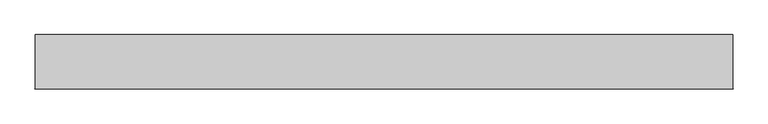
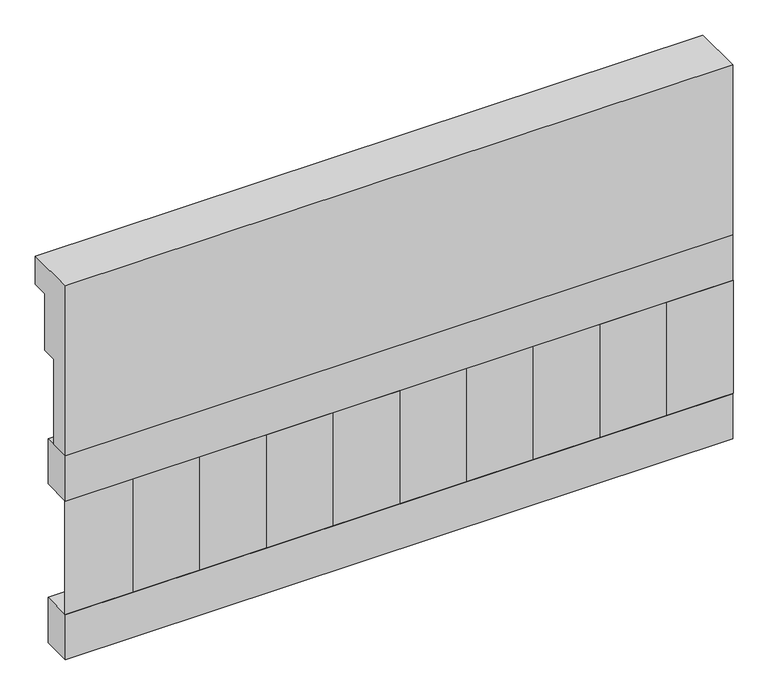
"""IFC4 building model written with IfcOpenShell, lengths in millimetres: railing geometry."""

from ifc_helpers import new_model, si_unit, frame, origin, place, context, project, spatial, polyline, outline, extrude, source, transform, mapped, element, save


def railing_db6b9fd0(model_context):
    return source(origin(), model_context, "Body", "SweptSolid", [
        extrude(outline(polyline([(903.1079487, 21800.0), (1033.1079487, 21800.0), (1033.1079487, 21725.0), (993.1079487, 21725.0), (993.1079487, 21575.0), (953.1079487, 21575.0), (953.1079487, 21350.0), (903.1079487, 21350.0), (903.1079487, 21800.0)])), frame((-5539.9887159, 0.0, 0.0), z_axis=(1.0, 0.0, 0.0), x_axis=(0.0, 1.0, 0.0)), (0.0, 0.0, 1.0), 1670.0),
        extrude(outline(polyline([(-3869.9887159, 978.1079487), (-3869.9887159, 903.1079487), (-5539.9887159, 903.1079487), (-5539.9887159, 978.1079487), (-3869.9887159, 978.1079487)])), frame((0.0, 0.0, 21230.0), z_axis=(0.0, 0.0, 1.0), x_axis=(1.0, 0.0, 0.0)), (0.0, 0.0, 1.0), 120.0),
        extrude(outline(polyline([(-3869.9887159, 978.1079487), (-3869.9887159, 903.1079487), (-5539.9887159, 903.1079487), (-5539.9887159, 978.1079487), (-3869.9887159, 978.1079487)])), frame((0.0, 0.0, 20810.0), z_axis=(0.0, 0.0, 1.0), x_axis=(1.0, 0.0, 0.0)), (0.0, 0.0, 1.0), 120.0),
        extrude(outline(polyline([(-5456.4887159, 987.9607624), (-5371.6359022, 903.1079487), (-5541.3415296, 903.1079487), (-5456.4887159, 987.9607624)])), frame((0.0, 0.0, 20930.0), z_axis=(0.0, 0.0, 1.0), x_axis=(1.0, 0.0, 0.0)), (0.0, 0.0, 1.0), 300.0),
        extrude(outline(polyline([(-5289.4887159, 987.9607624), (-5204.6359022, 903.1079487), (-5374.3415296, 903.1079487), (-5289.4887159, 987.9607624)])), frame((0.0, 0.0, 20930.0), z_axis=(0.0, 0.0, 1.0), x_axis=(1.0, 0.0, 0.0)), (0.0, 0.0, 1.0), 300.0),
        extrude(outline(polyline([(-5122.4887159, 987.9607624), (-5037.6359022, 903.1079487), (-5207.3415296, 903.1079487), (-5122.4887159, 987.9607624)])), frame((0.0, 0.0, 20930.0), z_axis=(0.0, 0.0, 1.0), x_axis=(1.0, 0.0, 0.0)), (0.0, 0.0, 1.0), 300.0),
        extrude(outline(polyline([(-4955.4887159, 987.9607624), (-4870.6359022, 903.1079487), (-5040.3415296, 903.1079487), (-4955.4887159, 987.9607624)])), frame((0.0, 0.0, 20930.0), z_axis=(0.0, 0.0, 1.0), x_axis=(1.0, 0.0, 0.0)), (0.0, 0.0, 1.0), 300.0),
        extrude(outline(polyline([(-4788.4887159, 987.9607624), (-4703.6359022, 903.1079487), (-4873.3415296, 903.1079487), (-4788.4887159, 987.9607624)])), frame((0.0, 0.0, 20930.0), z_axis=(0.0, 0.0, 1.0), x_axis=(1.0, 0.0, 0.0)), (0.0, 0.0, 1.0), 300.0),
        extrude(outline(polyline([(-4621.4887159, 987.9607624), (-4536.6359022, 903.1079487), (-4706.3415296, 903.1079487), (-4621.4887159, 987.9607624)])), frame((0.0, 0.0, 20930.0), z_axis=(0.0, 0.0, 1.0), x_axis=(1.0, 0.0, 0.0)), (0.0, 0.0, 1.0), 300.0),
        extrude(outline(polyline([(-4454.4887159, 987.9607624), (-4369.6359022, 903.1079487), (-4539.3415296, 903.1079487), (-4454.4887159, 987.9607624)])), frame((0.0, 0.0, 20930.0), z_axis=(0.0, 0.0, 1.0), x_axis=(1.0, 0.0, 0.0)), (0.0, 0.0, 1.0), 300.0),
        extrude(outline(polyline([(-4287.4887159, 987.9607624), (-4202.6359022, 903.1079487), (-4372.3415296, 903.1079487), (-4287.4887159, 987.9607624)])), frame((0.0, 0.0, 20930.0), z_axis=(0.0, 0.0, 1.0), x_axis=(1.0, 0.0, 0.0)), (0.0, 0.0, 1.0), 300.0),
        extrude(outline(polyline([(-4120.4887159, 987.9607624), (-4035.6359022, 903.1079487), (-4205.3415296, 903.1079487), (-4120.4887159, 987.9607624)])), frame((0.0, 0.0, 20930.0), z_axis=(0.0, 0.0, 1.0), x_axis=(1.0, 0.0, 0.0)), (0.0, 0.0, 1.0), 300.0),
        extrude(outline(polyline([(-3953.4887159, 987.9607624), (-3868.6359022, 903.1079487), (-4038.3415296, 903.1079487), (-3953.4887159, 987.9607624)])), frame((0.0, 0.0, 20930.0), z_axis=(0.0, 0.0, 1.0), x_axis=(1.0, 0.0, 0.0)), (0.0, 0.0, 1.0), 300.0),
    ])


if __name__ == "__main__":
    model = new_model("IFC4")
    model_context = context("Model", 3, world=origin())
    ifc_project = project(units=[si_unit("LENGTHUNIT", "METRE", prefix="MILLI")], contexts=[model_context])
    site = spatial("IfcSite", under=ifc_project)
    building = spatial("IfcBuilding", under=site)
    placement = place(None, origin())
    railing_shape = railing_db6b9fd0(model_context)
    element("IfcRailing", 1, at=placement, inside=building, context=model_context, shape_type="MappedRepresentation", body=[
        mapped(railing_shape, transform((0.0, 0.0, 0.0), x_axis=(1.0, 0.0, 0.0), y_axis=(0.0, 1.0, 0.0), z_axis=(0.0, 0.0, 1.0))),
    ])
    save(model, "model.ifc")
